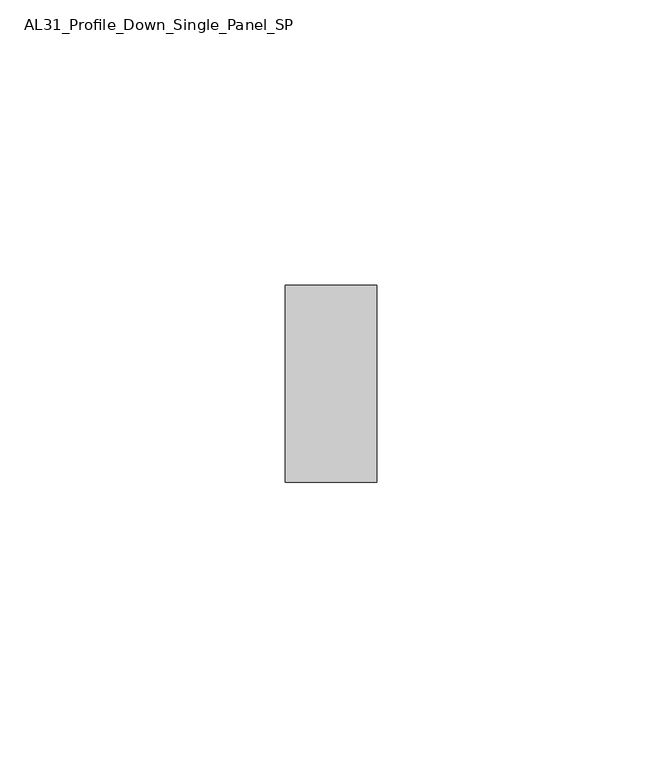
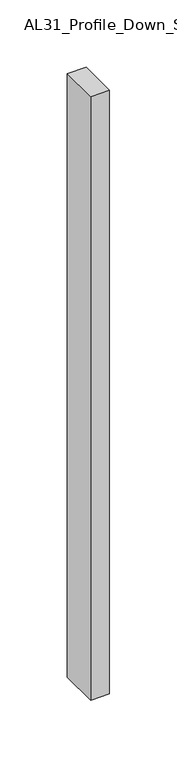
"""IFC4 building model written with IfcOpenShell, lengths in millimetres: member geometry, AL31_Profile_Down_Single_Panel_SP."""

from ifc_helpers import new_model, si_unit, frame, origin, place, context, project, spatial, polyline, outline, extrude, source, transform, mapped, element, save


def al31_profile_down_single_panel_sp_398c339e(model_context):
    return source(origin(), model_context, "Body", "SweptSolid", [
        extrude(outline(polyline([(0.0, -17.25), (-16.0, -17.25), (-16.0, 17.25), (0.0, 17.25), (0.0, -17.25)])), frame((0.0, 0.0, -547.3), z_axis=(0.0, 0.0, 1.0), x_axis=(1.0, 0.0, 0.0)), (0.0, 0.0, 1.0), 547.3),
    ])


if __name__ == "__main__":
    model = new_model("IFC4")
    model_context = context("Model", 3, world=origin())
    ifc_project = project(units=[si_unit("LENGTHUNIT", "METRE", prefix="MILLI")], contexts=[model_context])
    site = spatial("IfcSite", under=ifc_project)
    building = spatial("IfcBuilding", under=site)
    placement = place(None, origin())
    al31_profile_down_single_panel_sp_shape = al31_profile_down_single_panel_sp_398c339e(model_context)
    element("IfcMember", 1, ObjectType="AL31_Profile_Down_Single_Panel_SP", at=placement, inside=building, context=model_context, shape_type="MappedRepresentation", body=[
        mapped(al31_profile_down_single_panel_sp_shape, transform((0.0, 0.0, 0.0), x_axis=(1.0, 0.0, 0.0), y_axis=(0.0, 1.0, 0.0), z_axis=(0.0, 0.0, 1.0))),
    ])
    save(model, "model.ifc")
